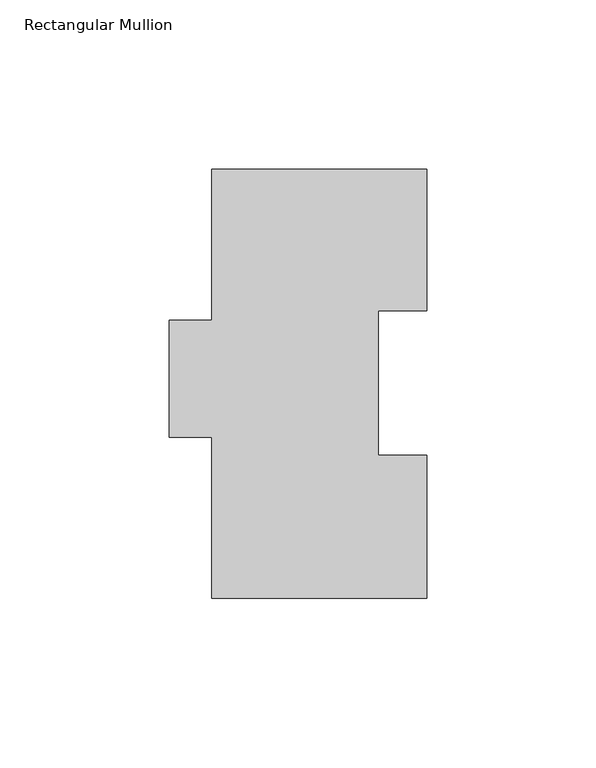
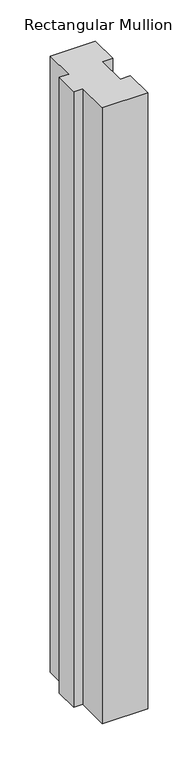
"""IFC4 building model written with IfcOpenShell, lengths in millimetres: member geometry, Rectangular Mullion."""

from ifc_helpers import new_model, si_unit, frame, origin, place, context, project, spatial, polyline, outline, extrude, source, transform, mapped, element, save


def rectangular_mullion_17ade2e2(model_context):
    return source(origin(), model_context, "Body", "SweptSolid", [
        extrude(outline(polyline([(31.75, 126.9888875), (31.75, 85.1296875), (17.4625, 85.1296875), (17.4625, 42.2798875), (31.75, 42.2798875), (31.75, -0.0111125), (-31.75, -0.0111125), (-31.75, 47.6138875), (-44.45, 47.6138875), (-44.45, 82.2848875), (-31.75, 82.2848875), (-31.75, 126.9888875), (31.75, 126.9888875)])), frame((0.0, 0.0, -914.4), z_axis=(0.0, 0.0, 1.0), x_axis=(1.0, 0.0, 0.0)), (0.0, 0.0, 1.0), 914.4),
    ])


if __name__ == "__main__":
    model = new_model("IFC4")
    model_context = context("Model", 3, world=origin())
    ifc_project = project(units=[si_unit("LENGTHUNIT", "METRE", prefix="MILLI")], contexts=[model_context])
    site = spatial("IfcSite", under=ifc_project)
    building = spatial("IfcBuilding", under=site)
    placement = place(None, origin())
    rectangular_mullion_shape = rectangular_mullion_17ade2e2(model_context)
    element("IfcMember", 1, ObjectType="Rectangular Mullion", at=placement, inside=building, context=model_context, shape_type="MappedRepresentation", body=[
        mapped(rectangular_mullion_shape, transform((0.0, 0.0, 0.0), x_axis=(1.0, 0.0, 0.0), y_axis=(0.0, 1.0, 0.0), z_axis=(0.0, 0.0, 1.0))),
    ])
    save(model, "model.ifc")
